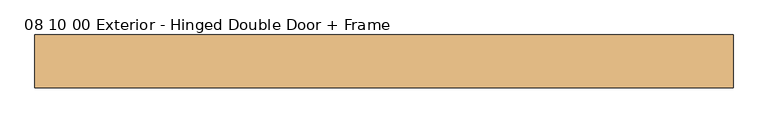
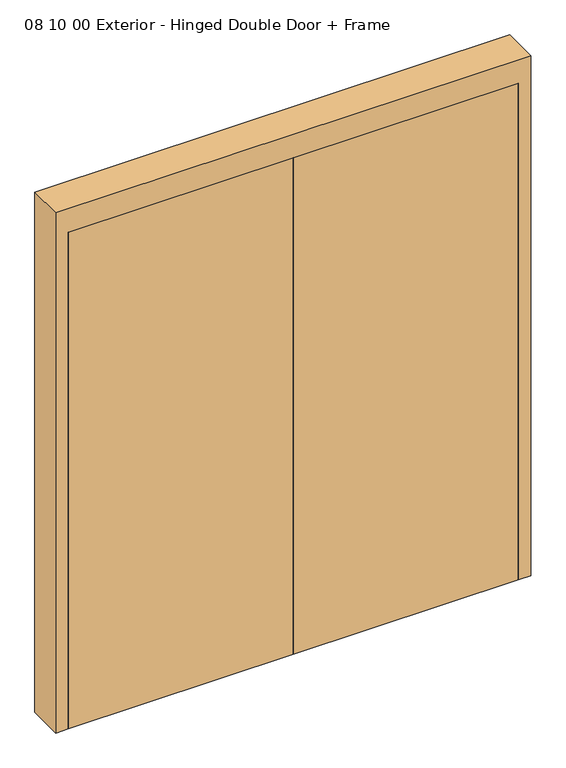
"""IFC4 building model written with IfcOpenShell, lengths in millimetres: door geometry, 08 10 00 Exterior - Hinged Double Door + Frame."""

from ifc_helpers import new_model, si_unit, frame, origin, origin_with_axes, place, context, project, spatial, polyline, outline, extrude, source, transform, mapped, element, save


def door_08_10_00_exterior_hinged_double_door_frame_bbfa250a(model_context):
    return source(origin(), model_context, "Body", "SweptSolid", [
        extrude(outline(polyline([(0.0, 965.2), (2235.2, 965.2), (2235.2, -965.2), (0.0, -965.2), (0.0, -914.4), (2133.6, -914.4), (2133.6, 914.4), (0.0, 914.4), (0.0, 965.2)])), frame((0.0, -215.9, 0.0), z_axis=(0.0, 1.0, 0.0), x_axis=(0.0, 0.0, 1.0)), (0.0, 0.0, 1.0), 146.05),
        extrude(outline(polyline([(-914.4, -171.45), (0.0, -171.45), (0.0, -215.9), (-914.4, -215.9), (-914.4, -171.45)])), origin_with_axes(), (0.0, 0.0, 1.0), 2133.6),
        extrude(outline(polyline([(914.4, -171.45), (914.4, -215.9), (0.0, -215.9), (0.0, -171.45), (914.4, -171.45)])), origin_with_axes(), (0.0, 0.0, 1.0), 2133.6),
    ])


if __name__ == "__main__":
    model = new_model("IFC4")
    model_context = context("Model", 3, world=origin())
    ifc_project = project(units=[si_unit("LENGTHUNIT", "METRE", prefix="MILLI")], contexts=[model_context])
    site = spatial("IfcSite", under=ifc_project)
    building = spatial("IfcBuilding", under=site)
    placement = place(None, origin())
    door_08_10_00_exterior_hinged_double_door_frame_shape = door_08_10_00_exterior_hinged_double_door_frame_bbfa250a(model_context)
    element("IfcDoor", 1, ObjectType="08 10 00 Exterior - Hinged Double Door + Frame", at=placement, inside=building, context=model_context, shape_type="MappedRepresentation", body=[
        mapped(door_08_10_00_exterior_hinged_double_door_frame_shape, transform((0.0, 0.0, 0.0), x_axis=(1.0, 0.0, 0.0), y_axis=(0.0, 1.0, 0.0), z_axis=(0.0, 0.0, 1.0))),
    ])
    save(model, "model.ifc")
